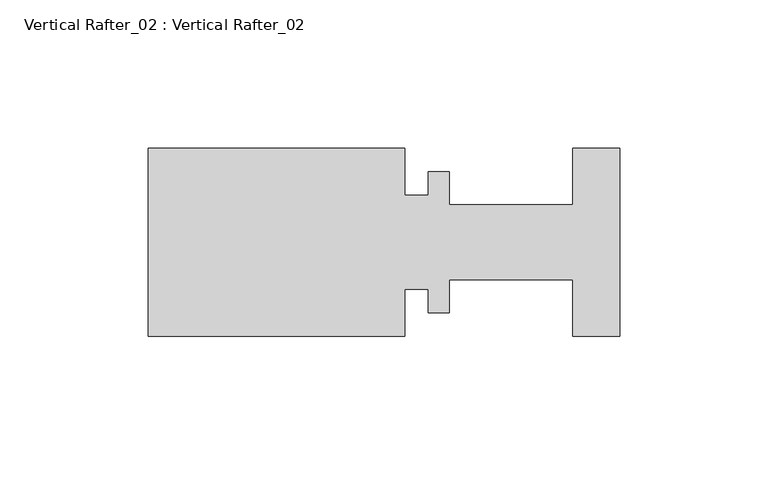
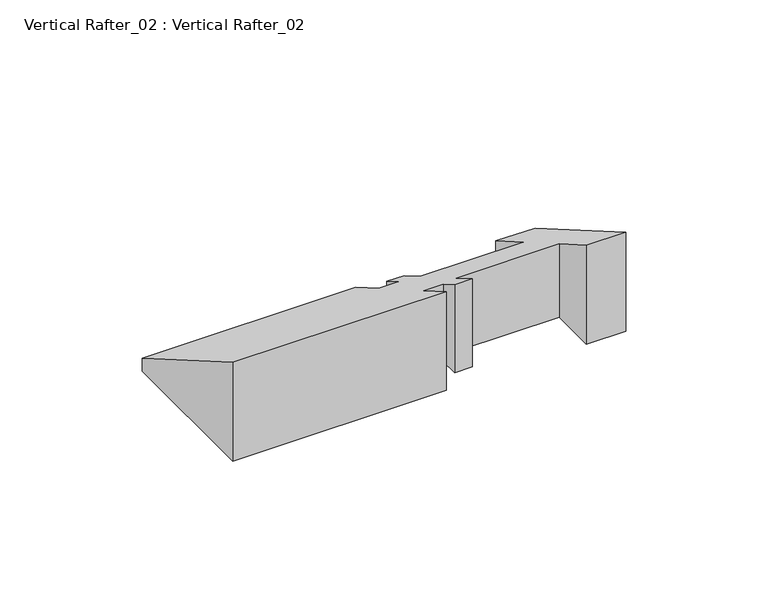
"""IFC4 building model written with IfcOpenShell, lengths in millimetres: proxy geometry, Vertical Rafter_02 : Vertical Rafter_02."""

from ifc_helpers import new_model, si_unit, origin, place, context, project, spatial, faceted_brep, source, transform, mapped, element, save


def vertical_rafter_02_vertical_rafter_02_a601b534(model_context):
    return source(origin(), model_context, "Body", "Brep", [
        faceted_brep([(12080.5221425, -19419.3573778, 658.2280117), (12080.5221425, -19482.8573778, 658.2280117), (12064.6506309, -19482.8573778, 658.2280117), (12064.6506309, -19463.8073778, 658.2280117), (12022.9911425, -19463.8073778, 658.2280117), (12022.9911425, -19474.9325778, 658.2280117), (12015.8283425, -19474.9325778, 658.2280117), (12015.8283425, -19466.9823778, 658.2280117), (12007.9289425, -19466.9823778, 658.2280117), (12007.9289425, -19482.8573778, 658.2280117), (11921.3911425, -19482.8573778, 658.2280117), (11921.3911425, -19419.3573778, 658.2280117), (12007.9289425, -19419.3573778, 658.2280117), (12007.9289425, -19435.2323778, 658.2280117), (12015.8283425, -19435.2323778, 658.2280117), (12015.8283425, -19427.2821778, 658.2280117), (12022.9911425, -19427.2821778, 658.2280117), (12022.9911425, -19438.4073778, 658.2280117), (12064.6506309, -19438.4073778, 658.2280117), (12064.6506309, -19419.3573778, 658.2280117), (12064.6506309, -19419.3573778, 663.9103629), (12080.5221425, -19419.3573778, 663.9103629), (12064.6506309, -19438.4073778, 674.9088855), (12022.9911425, -19438.4073778, 674.9088855), (12022.9911425, -19427.2821778, 668.4857483), (12015.8283425, -19427.2821778, 668.4857483), (12015.8283425, -19435.2323778, 673.0757984), (12007.9289425, -19435.2323778, 673.0757984), (12007.9289425, -19419.3573778, 663.9103629), (11921.3911425, -19419.3573778, 663.9103629), (11921.3911425, -19482.8573778, 700.572105), (12007.9289425, -19482.8573778, 700.572105), (12007.9289425, -19466.9823778, 691.4066695), (12015.8283425, -19466.9823778, 691.4066695), (12015.8283425, -19474.9325778, 695.9967196), (12022.9911425, -19474.9325778, 695.9967196), (12022.9911425, -19463.8073778, 689.5735824), (12064.6506309, -19463.8073778, 689.5735824), (12064.6506309, -19482.8573778, 700.572105), (12080.5221425, -19482.8573778, 700.572105)], [[[0, 1, 2, 3, 4, 5, 6, 7, 8, 9, 10, 11, 12, 13, 14, 15, 16, 17, 18, 19]], [[0, 19, 20, 21]], [[19, 18, 22, 20]], [[18, 17, 23, 22]], [[17, 16, 24, 23]], [[16, 15, 25, 24]], [[15, 14, 26, 25]], [[14, 13, 27, 26]], [[13, 12, 28, 27]], [[12, 11, 29, 28]], [[11, 10, 30, 29]], [[10, 9, 31, 30]], [[9, 8, 32, 31]], [[8, 7, 33, 32]], [[7, 6, 34, 33]], [[6, 5, 35, 34]], [[5, 4, 36, 35]], [[4, 3, 37, 36]], [[3, 2, 38, 37]], [[2, 1, 39, 38]], [[1, 0, 21, 39]], [[21, 20, 22, 23, 24, 25, 26, 27, 28, 29, 30, 31, 32, 33, 34, 35, 36, 37, 38, 39]]]),
    ])


if __name__ == "__main__":
    model = new_model("IFC4")
    model_context = context("Model", 3, world=origin())
    ifc_project = project(units=[si_unit("LENGTHUNIT", "METRE", prefix="MILLI")], contexts=[model_context])
    site = spatial("IfcSite", under=ifc_project)
    building = spatial("IfcBuilding", under=site)
    placement = place(None, origin())
    vertical_rafter_02_vertical_rafter_02_shape = vertical_rafter_02_vertical_rafter_02_a601b534(model_context)
    element("IfcBuildingElementProxy", 1, Name="Vertical Rafter_02 : Vertical Rafter_02", ObjectType="Vertical Rafter_02 : Vertical Rafter_02", at=placement, inside=building, context=model_context, shape_type="MappedRepresentation", body=[
        mapped(vertical_rafter_02_vertical_rafter_02_shape, transform((0.0, 0.0, 0.0), x_axis=(1.0, 0.0, 0.0), y_axis=(0.0, 1.0, 0.0), z_axis=(0.0, 0.0, 1.0))),
    ])
    save(model, "model.ifc")
